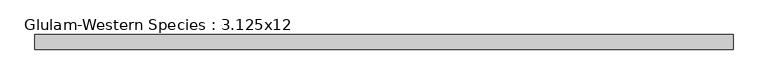
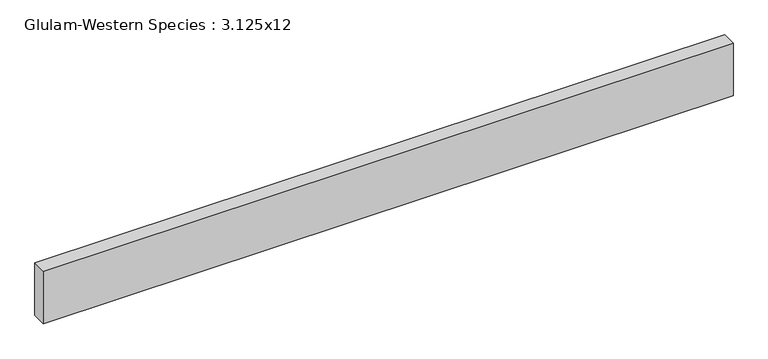
"""IFC4 building model written with IfcOpenShell, lengths in millimetres: beam geometry, Glulam-Western Species : 3.125x12."""

import ifcopenshell
import ifcopenshell.guid

model = None  # the IFC model being written
_history = None  # IfcOwnerHistory: only IFC2X3 demands one
_inside = {}  # id of a spatial element -> (the spatial element, [elements in it])
_under = {}  # id of a project, library or spatial element -> (it, [spatial elements below it])
_declared = {}  # id of a project -> (the project, [libraries it declares])
_typed = {}  # id of a type object -> (the type object, [elements of that type])
_made_of = {}  # id of a material, layer set ... -> (it, [elements and type objects made of it])


def new_model(schema):
    """Start an empty IFC model of exactly this schema.

    Asked for "IFC4X3", IfcOpenShell would pick the latest addendum, in which some entities
    have other attributes; the version numbers below select the first issue.
    IFC2X3 requires an IfcOwnerHistory on every rooted entity: one is made here for all.
    """
    global model, _history
    if schema == "IFC4X3":
        model = ifcopenshell.file(schema_version=(4, 3, 0, 0))
    else:
        model = ifcopenshell.file(schema=schema)
    _inside.clear()
    _under.clear()
    _declared.clear()
    _typed.clear()
    _made_of.clear()
    _history = None
    if model.schema == "IFC2X3":
        org = make("IfcOrganization", Name="unknown")
        user = make(
            "IfcPersonAndOrganization",
            ThePerson=make("IfcPerson", FamilyName="unknown"),
            TheOrganization=org,
        )
        app = make(
            "IfcApplication",
            ApplicationDeveloper=org,
            Version="unknown",
            ApplicationFullName="unknown",
            ApplicationIdentifier="unknown",
        )
        _history = make(
            "IfcOwnerHistory",
            OwningUser=user,
            OwningApplication=app,
            ChangeAction="ADDED",
            CreationDate=0,
        )
    return model


def make(cls, **values):
    """One entity of the class cls with the attributes given. An attribute that is None is left unset."""
    return model.create_entity(
        cls, **{name: value for name, value in values.items() if value is not None}
    )


def rooted(cls, **values):
    """An entity with a GlobalId (a new one), such as an element, a storey or a relation."""
    return make(cls, GlobalId=ifcopenshell.guid.new(), OwnerHistory=_history, **values)


def si_unit(unit_type, name, prefix=None):
    """IfcSIUnit, for example si_unit("LENGTHUNIT", "METRE", prefix="MILLI")."""
    return make("IfcSIUnit", UnitType=unit_type, Prefix=prefix, Name=name)


def assignment(units):
    """IfcUnitAssignment: the units of a project."""
    return None if units is None else make("IfcUnitAssignment", Units=units)


def point(xyz):
    """IfcCartesianPoint."""
    return None if xyz is None else make("IfcCartesianPoint", Coordinates=xyz)


def direction(xyz):
    """IfcDirection."""
    return None if xyz is None else make("IfcDirection", DirectionRatios=xyz)


def frame(location, z_axis=None, x_axis=None):
    """IfcAxis2Placement3D, a coordinate frame: its origin and axes. An axis left out is left unset."""
    return make(
        "IfcAxis2Placement3D",
        Location=point(location),
        Axis=direction(z_axis),
        RefDirection=direction(x_axis),
    )


def origin():
    """The frame at (0, 0, 0) with its axes left unset."""
    return frame((0.0, 0.0, 0.0))


def place(relative_to, where):
    """IfcLocalPlacement: puts the frame where relative to a parent placement (None: the world)."""
    return make(
        "IfcLocalPlacement", PlacementRelTo=relative_to, RelativePlacement=where
    )


def context(
    kind, dimensions, precision=None, world=None, true_north=None, identifier=None
):
    """IfcGeometricRepresentationContext, for example the 3D "Model" context."""
    return make(
        "IfcGeometricRepresentationContext",
        ContextIdentifier=identifier,
        ContextType=kind,
        CoordinateSpaceDimension=dimensions,
        Precision=precision,
        WorldCoordinateSystem=world,
        TrueNorth=true_north,
    )


def project(units=None, contexts=None):
    """IfcProject with its units and contexts."""
    return rooted(
        "IfcProject",
        Name="project",
        RepresentationContexts=contexts,
        UnitsInContext=assignment(units),
    )


def spatial(cls, under=None, at=None, **own):
    """A site, building, storey or space (cls), placed at a placement, below another one or the project."""
    s = rooted(cls, ObjectPlacement=at, **own)
    if under is not None:
        _under.setdefault(under.id(), (under, []))[1].append(s)
    return s


def polyline(points):
    """IfcPolyline through the points."""
    return make("IfcPolyline", Points=[point(p) for p in points])


def outline(outer, holes=None, kind="AREA"):
    """IfcArbitraryClosedProfileDef: a profile drawn as a closed curve; with holes, ...WithVoids."""
    if holes is None:
        return make("IfcArbitraryClosedProfileDef", ProfileType=kind, OuterCurve=outer)
    return make(
        "IfcArbitraryProfileDefWithVoids",
        ProfileType=kind,
        OuterCurve=outer,
        InnerCurves=holes,
    )


def extrude(swept, where, along, depth):
    """IfcExtrudedAreaSolid: the profile swept, set in the frame where, extruded along a direction by depth."""
    return make(
        "IfcExtrudedAreaSolid",
        SweptArea=swept,
        Position=where,
        ExtrudedDirection=direction(along),
        Depth=depth,
    )


def shape(context_of_items, identifier, shape_type, items):
    """IfcShapeRepresentation: the items that make up one representation, for example the "Body"."""
    return make(
        "IfcShapeRepresentation",
        ContextOfItems=context_of_items,
        RepresentationIdentifier=identifier,
        RepresentationType=shape_type,
        Items=items,
    )


def source(mapping_origin, context_of_items, identifier, shape_type, items):
    """IfcRepresentationMap: a shape defined once, which mapped items show again and again."""
    return make(
        "IfcRepresentationMap",
        MappingOrigin=mapping_origin,
        MappedRepresentation=shape(context_of_items, identifier, shape_type, items),
    )


def transform(
    local_origin,
    x_axis=None,
    y_axis=None,
    z_axis=None,
    scale=None,
    scale2=None,
    scale3=None,
    uniform=True,
):
    """IfcCartesianTransformationOperator3D, or its non-uniform kind. x_axis, y_axis, z_axis: its Axis1, 2, 3."""
    if uniform:
        return make(
            "IfcCartesianTransformationOperator3D",
            Axis1=direction(x_axis),
            Axis2=direction(y_axis),
            LocalOrigin=point(local_origin),
            Scale=scale,
            Axis3=direction(z_axis),
        )
    return make(
        "IfcCartesianTransformationOperator3DnonUniform",
        Axis1=direction(x_axis),
        Axis2=direction(y_axis),
        LocalOrigin=point(local_origin),
        Scale=scale,
        Axis3=direction(z_axis),
        Scale2=scale2,
        Scale3=scale3,
    )


def mapped(mapping_source, mapping_target):
    """IfcMappedItem: shows the shape of a source again, moved by a transform."""
    return make(
        "IfcMappedItem", MappingSource=mapping_source, MappingTarget=mapping_target
    )


def made_of(thing, what):
    """Note that an element or type object is made of a material, layer set ...; save() writes the relation."""
    if what is not None:
        _made_of.setdefault(what.id(), (what, []))[1].append(thing)
    return thing


def element(
    cls,
    number,
    at=None,
    inside=None,
    cuts=None,
    type_object=None,
    material=None,
    context=None,
    identifier="Body",
    shape_type=None,
    held_by="IfcProductDefinitionShape",
    body=None,
    shapes=None,
    **own,
):
    """One element of the class cls, such as IfcWall. Its Tag is "e" and its number.

    at: its placement. inside: the storey or other place that contains it. cuts: it is an
    opening in that element (IfcRelVoidsElement). A single representation is given by context,
    identifier, shape_type and body (its items); several are given by shapes. held_by: the class
    of the entity that holds the representations. save() writes the other relations.
    """
    e = rooted(cls, Tag="e%d" % number, ObjectPlacement=at, **own)
    if body is not None:
        shapes = [shape(context, identifier, shape_type, body)]
    if shapes is not None:
        e.Representation = make(held_by, Representations=shapes)
    if inside is not None:
        _inside.setdefault(inside.id(), (inside, []))[1].append(e)
    if cuts is not None:
        rooted(
            "IfcRelVoidsElement", RelatingBuildingElement=cuts, RelatedOpeningElement=e
        )
    if type_object is not None:
        _typed.setdefault(type_object.id(), (type_object, []))[1].append(e)
    return made_of(e, material)


def aggregate(whole, parts):
    """IfcRelAggregates: a whole, such as a stair, and the parts it consists of."""
    return rooted("IfcRelAggregates", RelatingObject=whole, RelatedObjects=parts)


def save(model, path):
    """Write the relations noted so far, then the file.

    IfcRelAggregates (storeys below a building ...), IfcRelContainedInSpatialStructure (elements
    in a storey), IfcRelDefinesByType, IfcRelAssociatesMaterial and IfcRelDeclares: one each for
    every whole, place, type object, material and project.
    """
    for whole, parts in _under.values():
        aggregate(whole, parts)
    for where, things in _inside.values():
        rooted(
            "IfcRelContainedInSpatialStructure",
            RelatedElements=things,
            RelatingStructure=where,
        )
    for kind, things in _typed.values():
        rooted("IfcRelDefinesByType", RelatedObjects=things, RelatingType=kind)
    for what, things in _made_of.values():
        rooted("IfcRelAssociatesMaterial", RelatedObjects=things, RelatingMaterial=what)
    for by, libraries in _declared.values():
        rooted("IfcRelDeclares", RelatingContext=by, RelatedDefinitions=libraries)
    model.write(path)


def glulam_western_species_3_125x12_22e2853e(model_context):
    return source(origin(), model_context, "Body", "SweptSolid", [
        extrude(outline(polyline([(1790.5800604, 39.6875), (1790.5800604, -39.6875), (-1992.70651, -39.6875), (-1992.70651, 39.6875), (1790.5800604, 39.6875)])), frame((0.0, 0.0, -152.4), z_axis=(0.0, 0.0, 1.0), x_axis=(1.0, 0.0, 0.0)), (0.0, 0.0, 1.0), 304.8),
    ])


if __name__ == "__main__":
    model = new_model("IFC4")
    model_context = context("Model", 3, world=origin())
    ifc_project = project(units=[si_unit("LENGTHUNIT", "METRE", prefix="MILLI")], contexts=[model_context])
    site = spatial("IfcSite", under=ifc_project)
    building = spatial("IfcBuilding", under=site)
    placement = place(None, origin())
    glulam_western_species_3_125x12_shape = glulam_western_species_3_125x12_22e2853e(model_context)
    element("IfcBeam", 1, ObjectType="Glulam-Western Species : 3.125x12", at=placement, inside=building, context=model_context, shape_type="MappedRepresentation", body=[
        mapped(glulam_western_species_3_125x12_shape, transform((0.0, 0.0, 0.0), x_axis=(1.0, 0.0, 0.0), y_axis=(0.0, 1.0, 0.0), z_axis=(0.0, 0.0, 1.0))),
    ])
    save(model, "model.ifc")
